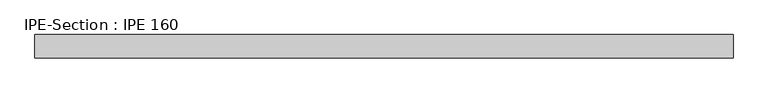
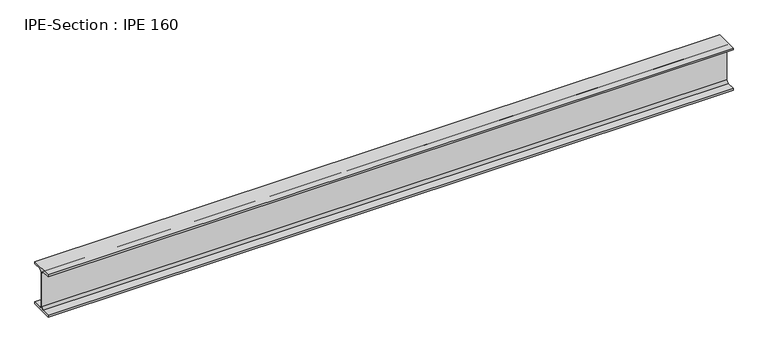
"""IFC4 building model written with IfcOpenShell, lengths in millimetres: beam geometry, IPE-Section : IPE 160."""

from ifc_helpers import new_model, si_unit, point, frame, frame_2d, origin, place, context, project, spatial, polyline, circle_curve, trimmed, segment, composite_curve, outline, extrude, source, transform, mapped, element, save


def ipe_section_ipe_160_13427cd8(model_context):
    return source(origin(), model_context, "Body", "SweptSolid", [
        extrude(outline(composite_curve([segment(polyline([(-41.0, -72.6), (-11.5, -72.6)]), True, "CONTINUOUS"), segment(trimmed(circle_curve(frame_2d((-11.5, -63.6)), 9.0), [point((-11.5, -72.6))], [point((-2.5, -63.6))], True, "CARTESIAN"), True, "CONTINUOUS"), segment(polyline([(-2.5, -63.6), (-2.5, 63.6)]), True, "CONTINUOUS"), segment(trimmed(circle_curve(frame_2d((-11.5, 63.6)), 9.0), [point((-2.5, 63.6))], [point((-11.5, 72.6))], True, "CARTESIAN"), True, "CONTINUOUS"), segment(polyline([(-11.5, 72.6), (-41.0, 72.6), (-41.0, 80.0), (41.0, 80.0), (41.0, 72.6), (11.5, 72.6)]), True, "CONTINUOUS"), segment(trimmed(circle_curve(frame_2d((11.5, 63.6)), 9.0), [point((11.5, 72.6))], [point((2.5, 63.6))], True, "CARTESIAN"), True, "CONTINUOUS"), segment(polyline([(2.5, 63.6), (2.5, -63.6)]), True, "CONTINUOUS"), segment(trimmed(circle_curve(frame_2d((11.5, -63.6)), 9.0), [point((2.5, -63.6))], [point((11.5, -72.6))], True, "CARTESIAN"), True, "CONTINUOUS"), segment(polyline([(11.5, -72.6), (41.0, -72.6), (41.0, -80.0), (-41.0, -80.0), (-41.0, -72.6)]), True, "CONTINUOUS")], self_intersect=False)), frame((-1239.5130118, 0.0, 0.0), z_axis=(1.0, 0.0, 0.0), x_axis=(0.0, 1.0, 0.0)), (0.0, 0.0, 1.0), 2458.3437535),
    ])


if __name__ == "__main__":
    model = new_model("IFC4")
    model_context = context("Model", 3, world=origin())
    ifc_project = project(units=[si_unit("LENGTHUNIT", "METRE", prefix="MILLI")], contexts=[model_context])
    site = spatial("IfcSite", under=ifc_project)
    building = spatial("IfcBuilding", under=site)
    placement = place(None, origin())
    ipe_section_ipe_160_shape = ipe_section_ipe_160_13427cd8(model_context)
    element("IfcBeam", 1, ObjectType="IPE-Section : IPE 160", at=placement, inside=building, context=model_context, shape_type="MappedRepresentation", body=[
        mapped(ipe_section_ipe_160_shape, transform((0.0, 0.0, 0.0), x_axis=(1.0, 0.0, 0.0), y_axis=(0.0, 1.0, 0.0), z_axis=(0.0, 0.0, 1.0))),
    ])
    save(model, "model.ifc")
